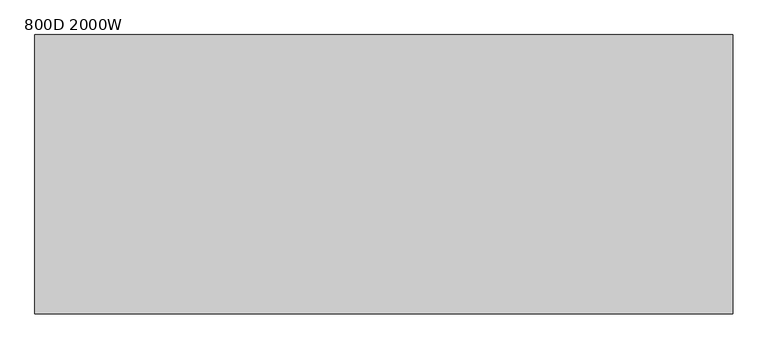
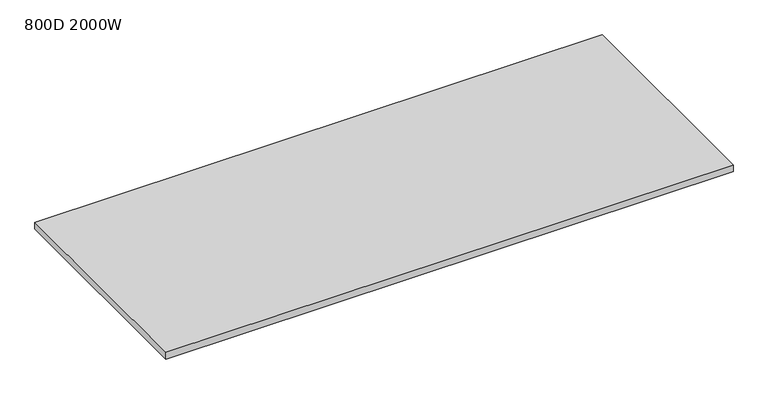
"""IFC4 building model written with IfcOpenShell, lengths in millimetres: furniture geometry, 800D 2000W."""

from ifc_helpers import new_model, si_unit, frame, origin, place, context, project, spatial, polyline, outline, extrude, source, transform, mapped, element, save


def furniture_800d_2000w_2dedfd1d(model_context):
    return source(origin(), model_context, "Body", "SweptSolid", [
        extrude(outline(polyline([(-1000.0, 800.0), (1000.0, 800.0), (1000.0, 0.0), (-1000.0, 0.0), (-1000.0, 800.0)])), frame((0.0, 0.0, 715.0), z_axis=(0.0, 0.0, 1.0), x_axis=(1.0, 0.0, 0.0)), (0.0, 0.0, 1.0), 25.0),
    ])


if __name__ == "__main__":
    model = new_model("IFC4")
    model_context = context("Model", 3, world=origin())
    ifc_project = project(units=[si_unit("LENGTHUNIT", "METRE", prefix="MILLI")], contexts=[model_context])
    site = spatial("IfcSite", under=ifc_project)
    building = spatial("IfcBuilding", under=site)
    placement = place(None, origin())
    furniture_800d_2000w_shape = furniture_800d_2000w_2dedfd1d(model_context)
    element("IfcFurniture", 1, ObjectType="800D 2000W", at=placement, inside=building, context=model_context, shape_type="MappedRepresentation", body=[
        mapped(furniture_800d_2000w_shape, transform((0.0, 0.0, 0.0), x_axis=(1.0, 0.0, 0.0), y_axis=(0.0, 1.0, 0.0), z_axis=(0.0, 0.0, 1.0))),
    ])
    save(model, "model.ifc")
